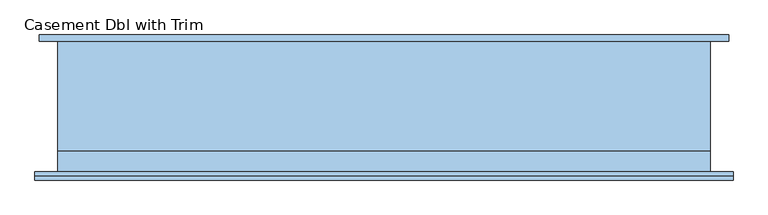
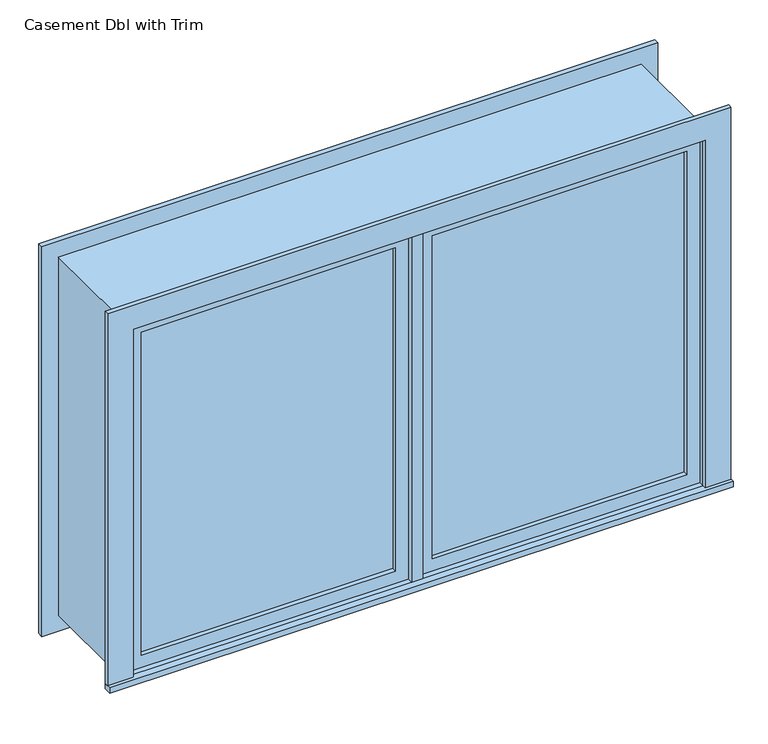
"""IFC4 building model written with IfcOpenShell, lengths in millimetres: window geometry, Casement Dbl with Trim."""

import ifcopenshell
import ifcopenshell.guid

model = None  # the IFC model being written
_history = None  # IfcOwnerHistory: only IFC2X3 demands one
_inside = {}  # id of a spatial element -> (the spatial element, [elements in it])
_under = {}  # id of a project, library or spatial element -> (it, [spatial elements below it])
_declared = {}  # id of a project -> (the project, [libraries it declares])
_typed = {}  # id of a type object -> (the type object, [elements of that type])
_made_of = {}  # id of a material, layer set ... -> (it, [elements and type objects made of it])


def new_model(schema):
    """Start an empty IFC model of exactly this schema.

    Asked for "IFC4X3", IfcOpenShell would pick the latest addendum, in which some entities
    have other attributes; the version numbers below select the first issue.
    IFC2X3 requires an IfcOwnerHistory on every rooted entity: one is made here for all.
    """
    global model, _history
    if schema == "IFC4X3":
        model = ifcopenshell.file(schema_version=(4, 3, 0, 0))
    else:
        model = ifcopenshell.file(schema=schema)
    _inside.clear()
    _under.clear()
    _declared.clear()
    _typed.clear()
    _made_of.clear()
    _history = None
    if model.schema == "IFC2X3":
        org = make("IfcOrganization", Name="unknown")
        user = make(
            "IfcPersonAndOrganization",
            ThePerson=make("IfcPerson", FamilyName="unknown"),
            TheOrganization=org,
        )
        app = make(
            "IfcApplication",
            ApplicationDeveloper=org,
            Version="unknown",
            ApplicationFullName="unknown",
            ApplicationIdentifier="unknown",
        )
        _history = make(
            "IfcOwnerHistory",
            OwningUser=user,
            OwningApplication=app,
            ChangeAction="ADDED",
            CreationDate=0,
        )
    return model


def make(cls, **values):
    """One entity of the class cls with the attributes given. An attribute that is None is left unset."""
    return model.create_entity(
        cls, **{name: value for name, value in values.items() if value is not None}
    )


def rooted(cls, **values):
    """An entity with a GlobalId (a new one), such as an element, a storey or a relation."""
    return make(cls, GlobalId=ifcopenshell.guid.new(), OwnerHistory=_history, **values)


def si_unit(unit_type, name, prefix=None):
    """IfcSIUnit, for example si_unit("LENGTHUNIT", "METRE", prefix="MILLI")."""
    return make("IfcSIUnit", UnitType=unit_type, Prefix=prefix, Name=name)


def assignment(units):
    """IfcUnitAssignment: the units of a project."""
    return None if units is None else make("IfcUnitAssignment", Units=units)


def point(xyz):
    """IfcCartesianPoint."""
    return None if xyz is None else make("IfcCartesianPoint", Coordinates=xyz)


def direction(xyz):
    """IfcDirection."""
    return None if xyz is None else make("IfcDirection", DirectionRatios=xyz)


def frame(location, z_axis=None, x_axis=None):
    """IfcAxis2Placement3D, a coordinate frame: its origin and axes. An axis left out is left unset."""
    return make(
        "IfcAxis2Placement3D",
        Location=point(location),
        Axis=direction(z_axis),
        RefDirection=direction(x_axis),
    )


def origin():
    """The frame at (0, 0, 0) with its axes left unset."""
    return frame((0.0, 0.0, 0.0))


def place(relative_to, where):
    """IfcLocalPlacement: puts the frame where relative to a parent placement (None: the world)."""
    return make(
        "IfcLocalPlacement", PlacementRelTo=relative_to, RelativePlacement=where
    )


def context(
    kind, dimensions, precision=None, world=None, true_north=None, identifier=None
):
    """IfcGeometricRepresentationContext, for example the 3D "Model" context."""
    return make(
        "IfcGeometricRepresentationContext",
        ContextIdentifier=identifier,
        ContextType=kind,
        CoordinateSpaceDimension=dimensions,
        Precision=precision,
        WorldCoordinateSystem=world,
        TrueNorth=true_north,
    )


def project(units=None, contexts=None):
    """IfcProject with its units and contexts."""
    return rooted(
        "IfcProject",
        Name="project",
        RepresentationContexts=contexts,
        UnitsInContext=assignment(units),
    )


def spatial(cls, under=None, at=None, **own):
    """A site, building, storey or space (cls), placed at a placement, below another one or the project."""
    s = rooted(cls, ObjectPlacement=at, **own)
    if under is not None:
        _under.setdefault(under.id(), (under, []))[1].append(s)
    return s


def polyline(points):
    """IfcPolyline through the points."""
    return make("IfcPolyline", Points=[point(p) for p in points])


def outline(outer, holes=None, kind="AREA"):
    """IfcArbitraryClosedProfileDef: a profile drawn as a closed curve; with holes, ...WithVoids."""
    if holes is None:
        return make("IfcArbitraryClosedProfileDef", ProfileType=kind, OuterCurve=outer)
    return make(
        "IfcArbitraryProfileDefWithVoids",
        ProfileType=kind,
        OuterCurve=outer,
        InnerCurves=holes,
    )


def extrude(swept, where, along, depth):
    """IfcExtrudedAreaSolid: the profile swept, set in the frame where, extruded along a direction by depth."""
    return make(
        "IfcExtrudedAreaSolid",
        SweptArea=swept,
        Position=where,
        ExtrudedDirection=direction(along),
        Depth=depth,
    )


def shape(context_of_items, identifier, shape_type, items):
    """IfcShapeRepresentation: the items that make up one representation, for example the "Body"."""
    return make(
        "IfcShapeRepresentation",
        ContextOfItems=context_of_items,
        RepresentationIdentifier=identifier,
        RepresentationType=shape_type,
        Items=items,
    )


def source(mapping_origin, context_of_items, identifier, shape_type, items):
    """IfcRepresentationMap: a shape defined once, which mapped items show again and again."""
    return make(
        "IfcRepresentationMap",
        MappingOrigin=mapping_origin,
        MappedRepresentation=shape(context_of_items, identifier, shape_type, items),
    )


def transform(
    local_origin,
    x_axis=None,
    y_axis=None,
    z_axis=None,
    scale=None,
    scale2=None,
    scale3=None,
    uniform=True,
):
    """IfcCartesianTransformationOperator3D, or its non-uniform kind. x_axis, y_axis, z_axis: its Axis1, 2, 3."""
    if uniform:
        return make(
            "IfcCartesianTransformationOperator3D",
            Axis1=direction(x_axis),
            Axis2=direction(y_axis),
            LocalOrigin=point(local_origin),
            Scale=scale,
            Axis3=direction(z_axis),
        )
    return make(
        "IfcCartesianTransformationOperator3DnonUniform",
        Axis1=direction(x_axis),
        Axis2=direction(y_axis),
        LocalOrigin=point(local_origin),
        Scale=scale,
        Axis3=direction(z_axis),
        Scale2=scale2,
        Scale3=scale3,
    )


def mapped(mapping_source, mapping_target):
    """IfcMappedItem: shows the shape of a source again, moved by a transform."""
    return make(
        "IfcMappedItem", MappingSource=mapping_source, MappingTarget=mapping_target
    )


def made_of(thing, what):
    """Note that an element or type object is made of a material, layer set ...; save() writes the relation."""
    if what is not None:
        _made_of.setdefault(what.id(), (what, []))[1].append(thing)
    return thing


def element(
    cls,
    number,
    at=None,
    inside=None,
    cuts=None,
    type_object=None,
    material=None,
    context=None,
    identifier="Body",
    shape_type=None,
    held_by="IfcProductDefinitionShape",
    body=None,
    shapes=None,
    **own,
):
    """One element of the class cls, such as IfcWall. Its Tag is "e" and its number.

    at: its placement. inside: the storey or other place that contains it. cuts: it is an
    opening in that element (IfcRelVoidsElement). A single representation is given by context,
    identifier, shape_type and body (its items); several are given by shapes. held_by: the class
    of the entity that holds the representations. save() writes the other relations.
    """
    e = rooted(cls, Tag="e%d" % number, ObjectPlacement=at, **own)
    if body is not None:
        shapes = [shape(context, identifier, shape_type, body)]
    if shapes is not None:
        e.Representation = make(held_by, Representations=shapes)
    if inside is not None:
        _inside.setdefault(inside.id(), (inside, []))[1].append(e)
    if cuts is not None:
        rooted(
            "IfcRelVoidsElement", RelatingBuildingElement=cuts, RelatedOpeningElement=e
        )
    if type_object is not None:
        _typed.setdefault(type_object.id(), (type_object, []))[1].append(e)
    return made_of(e, material)


def aggregate(whole, parts):
    """IfcRelAggregates: a whole, such as a stair, and the parts it consists of."""
    return rooted("IfcRelAggregates", RelatingObject=whole, RelatedObjects=parts)


def save(model, path):
    """Write the relations noted so far, then the file.

    IfcRelAggregates (storeys below a building ...), IfcRelContainedInSpatialStructure (elements
    in a storey), IfcRelDefinesByType, IfcRelAssociatesMaterial and IfcRelDeclares: one each for
    every whole, place, type object, material and project.
    """
    for whole, parts in _under.values():
        aggregate(whole, parts)
    for where, things in _inside.values():
        rooted(
            "IfcRelContainedInSpatialStructure",
            RelatedElements=things,
            RelatingStructure=where,
        )
    for kind, things in _typed.values():
        rooted("IfcRelDefinesByType", RelatedObjects=things, RelatingType=kind)
    for what, things in _made_of.values():
        rooted("IfcRelAssociatesMaterial", RelatedObjects=things, RelatingMaterial=what)
    for by, libraries in _declared.values():
        rooted("IfcRelDeclares", RelatingContext=by, RelatedDefinitions=libraries)
    model.write(path)


def casement_dbl_with_trim_39d4571b(model_context):
    return source(origin(), model_context, "Body", "SweptSolid", [
        extrude(outline(polyline([(63.5, -184.125), (63.5, -171.425), (936.5, -171.425), (936.5, -184.125), (63.5, -184.125)])), frame((0.0, 0.0, 1363.5), z_axis=(0.0, 0.0, 1.0), x_axis=(1.0, 0.0, 0.0)), (0.0, 0.0, 1.0), 1173.0),
        extrude(outline(polyline([(2580.95, 19.05), (1319.05, 19.05), (1319.05, 980.95), (2580.95, 980.95), (2580.95, 19.05)]), holes=[polyline([(2536.5, 63.5), (2536.5, 936.5), (1363.5, 936.5), (1363.5, 63.5), (2536.5, 63.5)])]), frame((0.0, -200.0, 0.0), z_axis=(0.0, 1.0, 0.0), x_axis=(0.0, 0.0, 1.0)), (0.0, 0.0, 1.0), 44.45),
        extrude(outline(polyline([(19.05, -155.55), (19.05, -219.05), (-19.05, -219.05), (-19.05, -155.55), (19.05, -155.55)])), frame((0.0, 0.0, 1319.05), z_axis=(0.0, 0.0, 1.0), x_axis=(1.0, 0.0, 0.0)), (0.0, 0.0, 1.0), 1261.9),
        extrude(outline(polyline([(-1069.85, -244.45), (-1069.85, -219.05), (1069.85, -219.05), (1069.85, -244.45), (-1069.85, -244.45)])), frame((0.0, 0.0, 1300.0), z_axis=(0.0, 0.0, 1.0), x_axis=(1.0, 0.0, 0.0)), (0.0, 0.0, 1.0), 19.05),
        extrude(outline(polyline([(2580.95, -980.95), (2580.95, 980.95), (1319.05, 980.95), (1319.05, 1069.85), (2669.85, 1069.85), (2669.85, -1069.85), (1319.05, -1069.85), (1319.05, -980.95), (2580.95, -980.95)])), frame((0.0, -231.75, 0.0), z_axis=(0.0, 1.0, 0.0), x_axis=(0.0, 0.0, 1.0)), (0.0, 0.0, 1.0), 12.7),
        extrude(outline(polyline([(2657.15, 1057.15), (2657.15, -1057.15), (1242.85, -1057.15), (1242.85, 1057.15), (2657.15, 1057.15)]), holes=[polyline([(2568.25, 968.25), (1331.75, 968.25), (1331.75, -968.25), (2568.25, -968.25), (2568.25, 968.25)])]), frame((0.0, 180.95, 0.0), z_axis=(0.0, 1.0, 0.0), x_axis=(0.0, 0.0, 1.0)), (0.0, 0.0, 1.0), 19.05),
        extrude(outline(polyline([(-63.5, -171.425), (-63.5, -184.125), (-936.5, -184.125), (-936.5, -171.425), (-63.5, -171.425)])), frame((0.0, 0.0, 1363.5), z_axis=(0.0, 0.0, 1.0), x_axis=(1.0, 0.0, 0.0)), (0.0, 0.0, 1.0), 1173.0),
        extrude(outline(polyline([(2580.95, -980.95), (1319.05, -980.95), (1319.05, -19.05), (2580.95, -19.05), (2580.95, -980.95)]), holes=[polyline([(2536.5, -936.5), (2536.5, -63.5), (1363.5, -63.5), (1363.5, -936.5), (2536.5, -936.5)])]), frame((0.0, -200.0, 0.0), z_axis=(0.0, 1.0, 0.0), x_axis=(0.0, 0.0, 1.0)), (0.0, 0.0, 1.0), 44.45),
        extrude(outline(polyline([(2600.0, -1000.0), (1300.0, -1000.0), (1300.0, 1000.0), (2600.0, 1000.0), (2600.0, -1000.0)]), holes=[polyline([(2568.25, -968.25), (2568.25, 968.25), (1331.75, 968.25), (1331.75, -968.25), (2568.25, -968.25)])]), frame((0.0, -155.55, 0.0), z_axis=(0.0, 1.0, 0.0), x_axis=(0.0, 0.0, 1.0)), (0.0, 0.0, 1.0), 336.5),
        extrude(outline(polyline([(2600.0, 1000.0), (2600.0, -1000.0), (1300.0, -1000.0), (1300.0, 1000.0), (2600.0, 1000.0)]), holes=[polyline([(2580.95, 980.95), (1319.05, 980.95), (1319.05, -980.95), (2580.95, -980.95), (2580.95, 980.95)])]), frame((0.0, -219.05, 0.0), z_axis=(0.0, 1.0, 0.0), x_axis=(0.0, 0.0, 1.0)), (0.0, 0.0, 1.0), 63.5),
    ])


if __name__ == "__main__":
    model = new_model("IFC4")
    model_context = context("Model", 3, world=origin())
    ifc_project = project(units=[si_unit("LENGTHUNIT", "METRE", prefix="MILLI")], contexts=[model_context])
    site = spatial("IfcSite", under=ifc_project)
    building = spatial("IfcBuilding", under=site)
    placement = place(None, origin())
    casement_dbl_with_trim_shape = casement_dbl_with_trim_39d4571b(model_context)
    element("IfcWindow", 1, ObjectType="Casement Dbl with Trim", at=placement, inside=building, context=model_context, shape_type="MappedRepresentation", body=[
        mapped(casement_dbl_with_trim_shape, transform((0.0, 0.0, 0.0), x_axis=(1.0, 0.0, 0.0), y_axis=(0.0, 1.0, 0.0), z_axis=(0.0, 0.0, 1.0))),
    ])
    save(model, "model.ifc")
